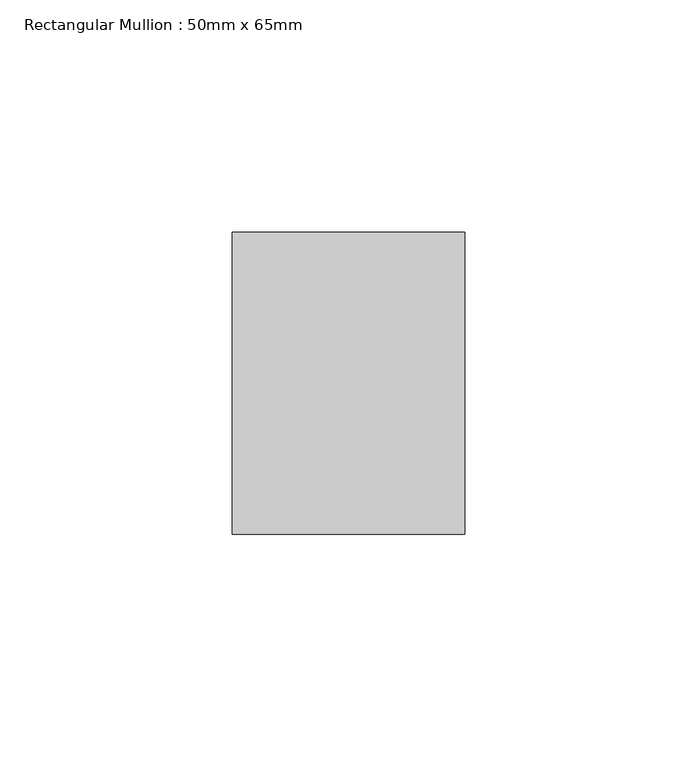
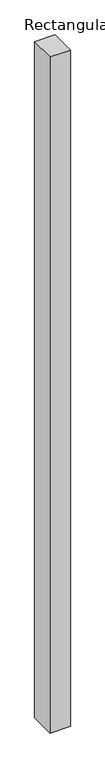
"""IFC4 building model written with IfcOpenShell, lengths in millimetres: member geometry, Rectangular Mullion : 50mm x 65mm."""

from ifc_helpers import new_model, si_unit, frame, origin, place, context, project, spatial, polyline, outline, extrude, source, transform, mapped, element, save


def rectangular_mullion_50mm_x_65mm_5f8edc8f(model_context):
    return source(origin(), model_context, "Body", "SweptSolid", [
        extrude(outline(polyline([(25.0, 32.5), (25.0, -32.5), (-25.0, -32.5), (-25.0, 32.5), (25.0, 32.5)])), frame((0.0, 0.0, -1754.4950896), z_axis=(0.0, 0.0, 1.0), x_axis=(1.0, 0.0, 0.0)), (0.0, 0.0, 1.0), 1754.4950896),
    ])


if __name__ == "__main__":
    model = new_model("IFC4")
    model_context = context("Model", 3, world=origin())
    ifc_project = project(units=[si_unit("LENGTHUNIT", "METRE", prefix="MILLI")], contexts=[model_context])
    site = spatial("IfcSite", under=ifc_project)
    building = spatial("IfcBuilding", under=site)
    placement = place(None, origin())
    rectangular_mullion_50mm_x_65mm_shape = rectangular_mullion_50mm_x_65mm_5f8edc8f(model_context)
    element("IfcMember", 1, ObjectType="Rectangular Mullion : 50mm x 65mm", at=placement, inside=building, context=model_context, shape_type="MappedRepresentation", body=[
        mapped(rectangular_mullion_50mm_x_65mm_shape, transform((0.0, 0.0, 0.0), x_axis=(1.0, 0.0, 0.0), y_axis=(0.0, 1.0, 0.0), z_axis=(0.0, 0.0, 1.0))),
    ])
    save(model, "model.ifc")
